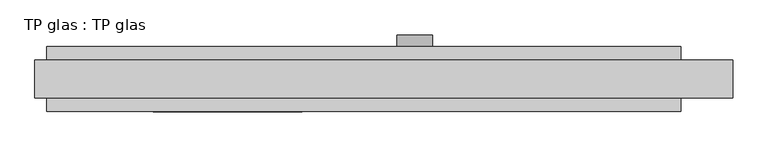
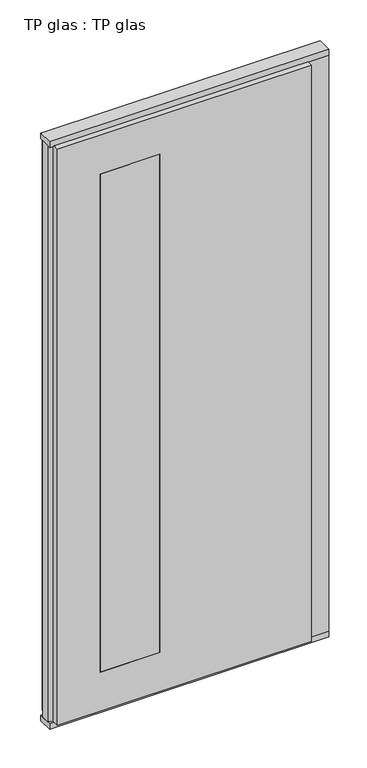
"""IFC4 building model written with IfcOpenShell, lengths in millimetres: plate geometry, TP glas : TP glas."""

from ifc_helpers import new_model, si_unit, point, frame, frame_2d, origin, origin_with_axes, place, context, project, spatial, polyline, circle_curve, trimmed, segment, composite_curve, outline, extrude, faceted_brep, source, transform, mapped, element, save


def tp_glas_tp_glas_acd50041(model_context):
    return source(origin(), model_context, "Body", "SolidModel", [
        faceted_brep([(-570.0, 22.9993165, 25.0), (-570.0, 22.9993165, 2602.0), (-570.0, 55.0, 2602.0), (-570.0, 55.0, 25.0), (-590.0, 17.6401049, 25.0), (-590.0, 17.6401049, 2602.0), (-590.0, -17.6401049, 25.0), (-590.0, -17.6401049, 2602.0), (-570.0, -22.9993165, 25.0), (-570.0, -22.9993165, 2602.0), (-570.0, -55.0, 25.0), (-570.0, -55.0, 2602.0), (502.0507813, -55.0, 25.0), (502.0507813, 55.0, 25.0), (502.0507813, 30.5, 25.0), (590.0, 30.5, 25.0), (590.0, -30.5, 25.0), (502.0507813, -30.5, 25.0), (502.0507813, -30.5, 2602.0), (502.0507813, -55.0, 2602.0), (590.0, -30.5, 2602.0), (590.0, 30.5, 2602.0), (502.0507813, 30.5, 2602.0), (502.0507813, 55.0, 2602.0), (-390.0, 55.0, 2427.0), (-390.0, 55.0, 200.0), (-137.9492187, 55.0, 200.0), (-137.9492187, 55.0, 2427.0), (-137.9492187, -55.0, 2427.0), (-137.9492187, -55.0, 200.0), (-390.0, -55.0, 200.0), (-390.0, -55.0, 2427.0)], [[[0, 1, 2, 3]], [[4, 5, 1, 0]], [[6, 7, 5, 4]], [[8, 9, 7, 6]], [[10, 11, 9, 8]], [[12, 10, 8, 6, 4, 0, 3, 13, 14, 15, 16, 17]], [[17, 18, 19, 12]], [[16, 20, 18, 17]], [[15, 21, 20, 16]], [[14, 22, 21, 15]], [[13, 23, 22, 14]], [[3, 2, 23, 13], [24, 25, 26, 27]], [[11, 10, 12, 19], [28, 29, 30, 31]], [[23, 2, 1, 5, 7, 9, 11, 19, 18, 20, 21, 22]], [[28, 31, 24, 27]], [[31, 30, 25, 24]], [[30, 29, 26, 25]], [[27, 26, 29, 28]]]),
        extrude(outline(polyline([(-590.0, 32.0), (590.0, 32.0), (590.0, -32.0), (-590.0, -32.0), (-590.0, 32.0)])), origin_with_axes(), (0.0, 0.0, 1.0), 25.0),
        extrude(outline(polyline([(-590.0, 32.0), (590.0, 32.0), (590.0, -32.0), (-590.0, -32.0), (-590.0, 32.0)])), frame((0.0, 0.0, 2602.0), z_axis=(0.0, 0.0, 1.0), x_axis=(1.0, 0.0, 0.0)), (0.0, 0.0, 1.0), 25.0),
        extrude(outline(composite_curve([segment(trimmed(circle_curve(frame_2d((1040.0, 52.0507813)), 30.0), [point((1040.0, 82.0507813))], [point((1040.0, 22.0507812))], False, "CARTESIAN"), True, "CONTINUOUS"), segment(trimmed(circle_curve(frame_2d((1040.0, 52.0507813)), 30.0), [point((1040.0, 22.0507812))], [point((1040.0, 82.0507813))], False, "CARTESIAN"), True, "CONTINUOUS")], self_intersect=False)), frame((0.0, 55.0, 0.0), z_axis=(0.0, 1.0, 0.0), x_axis=(0.0, 0.0, 1.0)), (0.0, 0.0, 1.0), 20.0),
        extrude(outline(polyline([(-137.9492187, 55.0), (-137.9492187, -55.0), (-390.0, -55.0), (-390.0, 55.0), (-137.9492187, 55.0)])), frame((0.0, 0.0, 200.0), z_axis=(0.0, 0.0, 1.0), x_axis=(1.0, 0.0, 0.0)), (0.0, 0.0, 1.0), 2227.0),
    ])


if __name__ == "__main__":
    model = new_model("IFC4")
    model_context = context("Model", 3, world=origin())
    ifc_project = project(units=[si_unit("LENGTHUNIT", "METRE", prefix="MILLI")], contexts=[model_context])
    site = spatial("IfcSite", under=ifc_project)
    building = spatial("IfcBuilding", under=site)
    placement = place(None, origin())
    tp_glas_tp_glas_shape = tp_glas_tp_glas_acd50041(model_context)
    element("IfcPlate", 1, ObjectType="TP glas : TP glas", at=placement, inside=building, context=model_context, shape_type="MappedRepresentation", body=[
        mapped(tp_glas_tp_glas_shape, transform((0.0, 0.0, 0.0), x_axis=(1.0, 0.0, 0.0), y_axis=(0.0, 1.0, 0.0), z_axis=(0.0, 0.0, 1.0))),
    ])
    save(model, "model.ifc")
